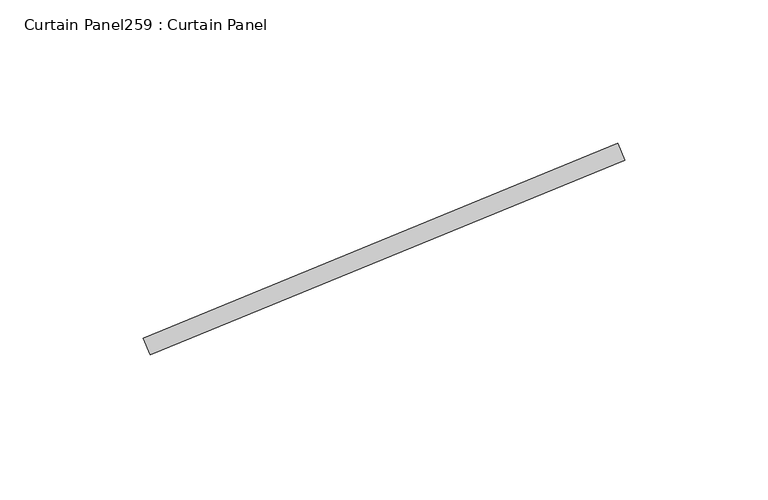
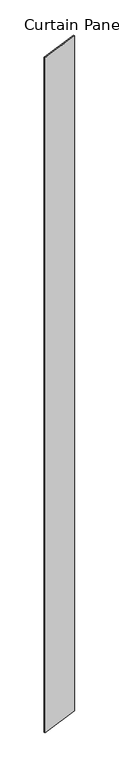
"""IFC4 building model written with IfcOpenShell, lengths in millimetres: plate geometry, Curtain Panel259 : Curtain Panel."""

from ifc_helpers import new_model, si_unit, frame, origin, place, context, project, spatial, polyline, outline, extrude, source, transform, mapped, element, save


def curtain_panel259_curtain_panel_f5a6677a(model_context):
    return source(origin(), model_context, "Body", "SweptSolid", [
        extrude(outline(polyline([(576465.8844465, 2949.548669), (576631.2448662, 3017.4026892), (576633.6554701, 3011.5280412), (576468.2950505, 2943.674021), (576465.8844465, 2949.548669)])), frame((0.0, 0.0, 4959.7989371), z_axis=(0.0, 0.0, 1.0), x_axis=(1.0, 0.0, 0.0)), (0.0, 0.0, 1.0), 3048.0),
    ])


if __name__ == "__main__":
    model = new_model("IFC4")
    model_context = context("Model", 3, world=origin())
    ifc_project = project(units=[si_unit("LENGTHUNIT", "METRE", prefix="MILLI")], contexts=[model_context])
    site = spatial("IfcSite", under=ifc_project)
    building = spatial("IfcBuilding", under=site)
    placement = place(None, origin())
    curtain_panel259_curtain_panel_shape = curtain_panel259_curtain_panel_f5a6677a(model_context)
    element("IfcPlate", 1, ObjectType="Curtain Panel259 : Curtain Panel", at=placement, inside=building, context=model_context, shape_type="MappedRepresentation", body=[
        mapped(curtain_panel259_curtain_panel_shape, transform((0.0, 0.0, 0.0), x_axis=(1.0, 0.0, 0.0), y_axis=(0.0, 1.0, 0.0), z_axis=(0.0, 0.0, 1.0))),
    ])
    save(model, "model.ifc")
